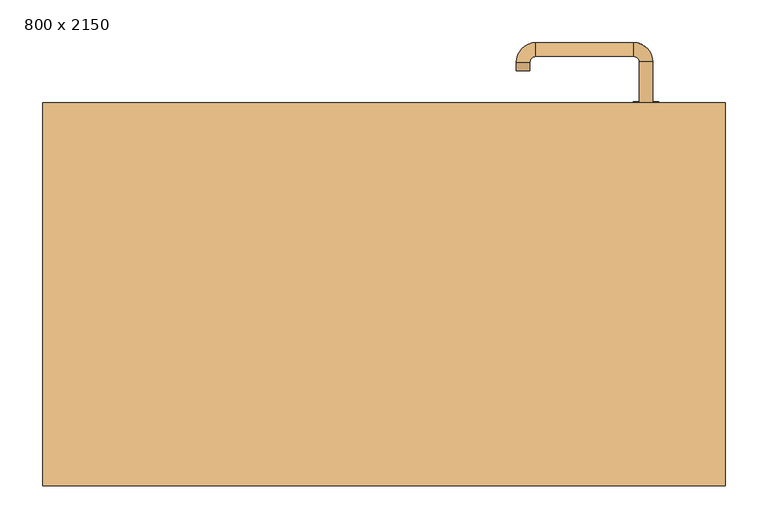
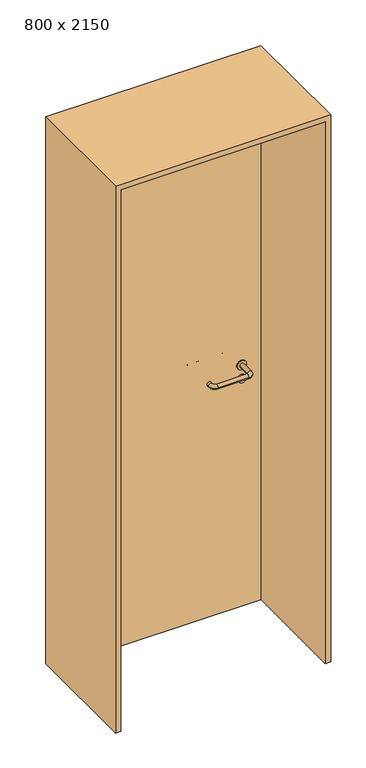
"""IFC4 building model written with IfcOpenShell, lengths in millimetres: door geometry, 800 x 2150."""

from ifc_helpers import new_model, si_unit, point, frame, frame_2d, origin, origin_with_axes, place, context, project, spatial, polyline, circle_curve, ellipse_curve, trimmed, segment, composite_curve, outline, extrude, source, transform, mapped, element, save
from ifc_brep_helpers import plane_surface, cylinder_surface, revolved_surface, advanced_brep


def door_800_x_2150_15d04565(model_context):
    return source(origin(), model_context, "Body", "SolidModel", [
        extrude(outline(composite_curve([segment(trimmed(circle_curve(frame_2d((897.3605726, 307.0)), 15.0), [point((897.3605726, 322.0))], [point((897.3605726, 292.0))], False, "CARTESIAN"), True, "CONTINUOUS"), segment(trimmed(circle_curve(frame_2d((897.3605726, 307.0)), 15.0), [point((897.3605726, 292.0))], [point((897.3605726, 322.0))], False, "CARTESIAN"), True, "CONTINUOUS")], self_intersect=False), holes=[composite_curve([segment(trimmed(circle_curve(frame_2d((892.5833211, 306.9398032)), 2.0), [point((892.5833211, 308.9398032))], [point((892.5833211, 304.9398032))], True, "CARTESIAN"), True, "CONTINUOUS"), segment(polyline([(892.5833211, 304.9398032), (902.5833211, 304.9398032)]), True, "CONTINUOUS"), segment(trimmed(circle_curve(frame_2d((902.5833211, 306.9398032)), 2.0), [point((902.5833211, 304.9398032))], [point((902.5833211, 308.9398032))], True, "CARTESIAN"), True, "CONTINUOUS"), segment(polyline([(902.5833211, 308.9398032), (892.5833211, 308.9398032)]), True, "CONTINUOUS")], self_intersect=False)]), frame((0.0, 183.65, 0.0), z_axis=(0.0, 1.0, 0.0), x_axis=(0.0, 0.0, 1.0)), (0.0, 0.0, 1.0), 6.35),
        extrude(outline(composite_curve([segment(trimmed(circle_curve(frame_2d((950.0, 307.0)), 17.526), [point((950.0, 324.526))], [point((950.0, 289.474))], False, "CARTESIAN"), True, "CONTINUOUS"), segment(trimmed(circle_curve(frame_2d((950.0, 307.0)), 17.526), [point((950.0, 289.474))], [point((950.0, 324.526))], False, "CARTESIAN"), True, "CONTINUOUS")], self_intersect=False)), frame((0.0, 186.825, 0.0), z_axis=(0.0, 1.0, 0.0), x_axis=(0.0, 0.0, 1.0)), (0.0, 0.0, 1.0), 3.175),
        advanced_brep(
        [(315.0, 190.0, 950.0), (299.0, 190.0, 950.0), (299.0, 137.0, 950.0), (315.0, 137.0, 950.0), (292.8578644, 130.8578644, 950.0), (292.8578644, 114.8578644, 950.0), (177.8578644, 130.8578644, 950.0), (177.8578644, 114.8578644, 950.0), (171.008622, 137.7071068, 950.0), (155.008622, 137.7071068, 950.0), (155.008622, 147.7071068, 950.0), (171.008622, 147.7071068, 950.0)],
        [
            (0, 1, circle_curve(frame((307.0, 190.0, 950.0), z_axis=(0.0, 1.0, 0.0), x_axis=(-1.0, 0.0, 0.0)), 8.0)),
            (1, 0, circle_curve(frame((307.0, 190.0, 950.0), z_axis=(0.0, 1.0, 0.0), x_axis=(-1.0, 0.0, 0.0)), 8.0)),
            (1, 2),
            (2, 3, circle_curve(frame((307.0, 137.0, 950.0), z_axis=(0.0, 1.0, 0.0), x_axis=(-1.0, 0.0, 0.0)), 8.0)),
            (3, 0),
            (3, 2, circle_curve(frame((307.0, 137.0, 950.0), z_axis=(0.0, 1.0, 0.0), x_axis=(-1.0, 0.0, 0.0)), 8.0)),
            (4, 5, circle_curve(frame((292.8578644, 122.8578644, 950.0), z_axis=(1.0, 0.0, 0.0), x_axis=(0.0, 1.0, 0.0)), 8.0)),
            (5, 3, circle_curve(frame((292.8578644, 137.0, 950.0), z_axis=(0.0, 0.0, 1.0), x_axis=(1.0, 0.0, 0.0)), 22.1421356)),
            (2, 4, circle_curve(frame((292.8578644, 137.0, 950.0), z_axis=(0.0, 0.0, -1.0), x_axis=(1.0, 0.0, 0.0)), 6.1421356)),
            (5, 4, circle_curve(frame((292.8578644, 122.8578644, 950.0), z_axis=(1.0, 0.0, 0.0), x_axis=(0.0, 1.0, 0.0)), 8.0)),
            (4, 6),
            (6, 7, circle_curve(frame((177.8578644, 122.8578644, 950.0), z_axis=(1.0, 0.0, 0.0), x_axis=(0.0, 1.0, 0.0)), 8.0)),
            (7, 5),
            (7, 6, circle_curve(frame((177.8578644, 122.8578644, 950.0), z_axis=(1.0, 0.0, 0.0), x_axis=(0.0, 1.0, 0.0)), 8.0)),
            (8, 9, circle_curve(frame((163.008622, 137.7071068, 950.0), z_axis=(0.0, -1.0, 0.0), x_axis=(1.0, 0.0, 0.0)), 8.0)),
            (9, 7, circle_curve(frame((177.8578644, 137.7071068, 950.0), z_axis=(0.0, 0.0, 1.0), x_axis=(0.0, -1.0, 0.0)), 22.8492424)),
            (6, 8, circle_curve(frame((177.8578644, 137.7071068, 950.0), z_axis=(0.0, 0.0, -1.0), x_axis=(0.0, -1.0, 0.0)), 6.8492424)),
            (9, 8, circle_curve(frame((163.008622, 137.7071068, 950.0), z_axis=(0.0, -1.0, 0.0), x_axis=(1.0, 0.0, 0.0)), 8.0)),
            (10, 11, circle_curve(frame((163.008622, 147.7071068, 950.0), z_axis=(0.0, 1.0, 0.0), x_axis=(1.0, 0.0, 0.0)), 8.0)),
            (11, 10, circle_curve(frame((163.008622, 147.7071068, 950.0), z_axis=(0.0, 1.0, 0.0), x_axis=(1.0, 0.0, 0.0)), 8.0)),
            (8, 11),
            (10, 9),
        ],
        [
            plane_surface(frame((307.0, 190.0, 0.0), z_axis=(0.0, 1.0, 0.0), x_axis=(0.0, 0.0, 1.0))),
            cylinder_surface(frame((307.0, 190.0, 950.0), z_axis=(0.0, 1.0, 0.0), x_axis=(-1.0, 0.0, 0.0)), 8.0),
            revolved_surface(trimmed(ellipse_curve(frame((307.0, 137.0, 950.0), z_axis=(0.0, -1.0, 0.0), x_axis=(-1.0, 0.0, 0.0)), 8.0, 8.0), [point((315.0, 137.0, 950.0))], [point((299.0, 137.0, 950.0))], True, "CARTESIAN"), (292.8578644, 137.0, 0.0), (0.0, 0.0, 1.0)),
            revolved_surface(trimmed(ellipse_curve(frame((307.0, 137.0, 950.0), z_axis=(0.0, -1.0, 0.0), x_axis=(-1.0, 0.0, 0.0)), 8.0, 8.0), [point((299.0, 137.0, 950.0))], [point((315.0, 137.0, 950.0))], True, "CARTESIAN"), (292.8578644, 137.0, 0.0), (0.0, 0.0, 1.0)),
            cylinder_surface(frame((292.8578644, 122.8578644, 950.0), z_axis=(1.0, 0.0, 0.0), x_axis=(0.0, 1.0, 0.0)), 8.0),
            revolved_surface(trimmed(ellipse_curve(frame((177.8578644, 122.8578644, 950.0), z_axis=(-1.0, 0.0, 0.0), x_axis=(0.0, 1.0, 0.0)), 8.0, 8.0), [point((177.8578644, 114.8578644, 950.0))], [point((177.8578644, 130.8578644, 950.0))], True, "CARTESIAN"), (177.8578644, 137.7071068, 0.0), (0.0, 0.0, 1.0)),
            revolved_surface(trimmed(ellipse_curve(frame((177.8578644, 122.8578644, 950.0), z_axis=(-1.0, 0.0, 0.0), x_axis=(0.0, 1.0, 0.0)), 8.0, 8.0), [point((177.8578644, 130.8578644, 950.0))], [point((177.8578644, 114.8578644, 950.0))], True, "CARTESIAN"), (177.8578644, 137.7071068, 0.0), (0.0, 0.0, 1.0)),
            plane_surface(frame((163.008622, 147.7071068, 0.0), z_axis=(0.0, 1.0, 0.0), x_axis=(0.0, 0.0, 1.0))),
            cylinder_surface(frame((163.008622, 137.7071068, 950.0), z_axis=(0.0, -1.0, 0.0), x_axis=(1.0, 0.0, 0.0)), 8.0),
        ],
        [
            (0, [[1, 2]]),
            (1, [[3, 4, 5, -2]]),
            (1, [[-5, 6, -3, -1]]),
            (2, [[7, 8, -4, 9]]),
            (3, [[10, -9, -6, -8]]),
            (4, [[11, 12, 13, -7]]),
            (4, [[-13, 14, -11, -10]]),
            (5, [[15, 16, -12, 17]]),
            (6, [[18, -17, -14, -16]]),
            (7, [[19, 20]]),
            (8, [[21, -19, 22, -15]]),
            (8, [[-22, -20, -21, -18]]),
        ],
    ),
        extrude(outline(composite_curve([segment(trimmed(circle_curve(frame_2d((0.0, -15.0)), 15.0), [point((0.0, -30.0))], [point((0.0, 0.0))], False, "CARTESIAN"), True, "CONTINUOUS"), segment(trimmed(circle_curve(frame_2d((0.0, -15.0)), 15.0), [point((0.0, 0.0))], [point((0.0, -30.0))], False, "CARTESIAN"), True, "CONTINUOUS")], self_intersect=False), holes=[composite_curve([segment(trimmed(circle_curve(frame_2d((4.7772515, -14.9398032)), 2.0), [point((4.7772515, -16.9398032))], [point((4.7772515, -12.9398032))], True, "CARTESIAN"), True, "CONTINUOUS"), segment(polyline([(4.7772515, -12.9398032), (-5.2227485, -12.9398032)]), True, "CONTINUOUS"), segment(trimmed(circle_curve(frame_2d((-5.2227485, -14.9398032)), 2.0), [point((-5.2227485, -12.9398032))], [point((-5.2227485, -16.9398032))], True, "CARTESIAN"), True, "CONTINUOUS"), segment(polyline([(-5.2227485, -16.9398032), (4.7772515, -16.9398032)]), True, "CONTINUOUS")], self_intersect=False)]), frame((292.0, 220.0, 897.3605726), z_axis=(1.8870575173328306e-12, 1.0, 0.0), x_axis=(0.0, 0.0, -1.0)), (0.0, 0.0, 1.0), 6.35),
        extrude(outline(composite_curve([segment(trimmed(circle_curve(frame_2d((0.0, -17.526)), 17.526), [point((0.0, -35.052))], [point((0.0, 0.0))], False, "CARTESIAN"), True, "CONTINUOUS"), segment(trimmed(circle_curve(frame_2d((0.0, -17.526)), 17.526), [point((0.0, 0.0))], [point((0.0, -35.052))], False, "CARTESIAN"), True, "CONTINUOUS")], self_intersect=False)), frame((289.474, 220.0, 950.0), z_axis=(1.8870575173328306e-12, 1.0, 0.0), x_axis=(0.0, 0.0, -1.0)), (0.0, 0.0, 1.0), 3.175),
        advanced_brep(
        [(315.0, 220.0, 950.0), (299.0, 220.0, 950.0), (315.0, 273.0, 950.0), (299.0, 273.0, 950.0), (292.8578644, 279.1421356, 950.0), (292.8578644, 295.1421356, 950.0), (177.8578644, 295.1421356, 950.0), (177.8578644, 279.1421356, 950.0), (171.008622, 272.2928932, 950.0), (155.008622, 272.2928932, 950.0), (155.008622, 262.2928932, 950.0), (171.008622, 262.2928932, 950.0)],
        [
            (0, 1, circle_curve(frame((307.0, 220.0, 950.0), z_axis=(-1.888672253512351e-12, -1.0, 0.0), x_axis=(-1.0, 1.888672253512351e-12, 0.0)), 8.0)),
            (1, 0, circle_curve(frame((307.0, 220.0, 950.0), z_axis=(-1.888672253512351e-12, -1.0, 0.0), x_axis=(-1.0, 1.888672253512351e-12, 0.0)), 8.0)),
            (0, 2),
            (2, 3, circle_curve(frame((307.0, 273.0, 950.0), z_axis=(-1.888672253512351e-12, -1.0, 0.0), x_axis=(-1.0, 1.888672253512351e-12, 0.0)), 8.0)),
            (3, 1),
            (3, 2, circle_curve(frame((307.0, 273.0, 950.0), z_axis=(-1.888672253512351e-12, -1.0, 0.0), x_axis=(-1.0, 1.888672253512351e-12, 0.0)), 8.0)),
            (4, 3, circle_curve(frame((292.8578644, 273.0, 950.0), z_axis=(0.0, 0.0, -1.0), x_axis=(1.0, -1.880717803715015e-12, 0.0)), 6.1421356)),
            (2, 5, circle_curve(frame((292.8578644, 273.0, 950.0), z_axis=(0.0, 0.0, 1.0), x_axis=(1.0, -1.880717803715015e-12, 0.0)), 22.1421356)),
            (5, 4, circle_curve(frame((292.8578644, 287.1421356, 950.0), z_axis=(1.0, -1.913702061528922e-12, 0.0), x_axis=(-1.913702061528922e-12, -1.0, 0.0)), 8.0)),
            (4, 5, circle_curve(frame((292.8578644, 287.1421356, 950.0), z_axis=(1.0, -1.913702061528922e-12, 0.0), x_axis=(-1.913702061528922e-12, -1.0, 0.0)), 8.0)),
            (5, 6),
            (6, 7, circle_curve(frame((177.8578644, 287.1421356, 950.0), z_axis=(1.0, -1.913719828541269e-12, 0.0), x_axis=(-1.913719828541269e-12, -1.0, 0.0)), 8.0)),
            (7, 4),
            (7, 6, circle_curve(frame((177.8578644, 287.1421356, 950.0), z_axis=(1.0, -1.913719828541269e-12, 0.0), x_axis=(-1.913719828541269e-12, -1.0, 0.0)), 8.0)),
            (8, 7, circle_curve(frame((177.8578644, 272.2928932, 950.0), z_axis=(0.0, 0.0, -1.0), x_axis=(1.9120873253494017e-12, 1.0, 0.0)), 6.8492424)),
            (6, 9, circle_curve(frame((177.8578644, 272.2928932, 950.0), z_axis=(0.0, 0.0, 1.0), x_axis=(1.9120873253494017e-12, 1.0, 0.0)), 22.8492424)),
            (9, 8, circle_curve(frame((163.008622, 272.2928932, 950.0), z_axis=(1.890448610351751e-12, 1.0, 0.0), x_axis=(1.0, -1.890448610351751e-12, 0.0)), 8.0)),
            (8, 9, circle_curve(frame((163.008622, 272.2928932, 950.0), z_axis=(1.8888942981172756e-12, 1.0, 0.0), x_axis=(1.0, -1.8888942981172756e-12, 0.0)), 8.0)),
            (10, 11, circle_curve(frame((163.008622, 262.2928932, 950.0), z_axis=(-1.8903642334018795e-12, -1.0, 0.0), x_axis=(1.0, -1.8903642334018795e-12, 0.0)), 8.0)),
            (11, 10, circle_curve(frame((163.008622, 262.2928932, 950.0), z_axis=(-1.8903642334018795e-12, -1.0, 0.0), x_axis=(1.0, -1.8903642334018795e-12, 0.0)), 8.0)),
            (9, 10),
            (11, 8),
        ],
        [
            plane_surface(frame((307.0, 220.0, 0.0), z_axis=(-1.8870575173328306e-12, -1.0, 0.0), x_axis=(0.0, 0.0, 1.0))),
            cylinder_surface(frame((307.0, 220.0, 950.0), z_axis=(-1.888672253512351e-12, -1.0, 0.0), x_axis=(-1.0, 1.888672253512351e-12, 0.0)), 8.0),
            revolved_surface(trimmed(ellipse_curve(frame((307.0, 273.0, 950.0), z_axis=(-1.8823325398945356e-12, -1.0, 0.0), x_axis=(-1.0, 1.8823325398945356e-12, 0.0)), 8.0, 8.0), [point((315.0, 273.0, 950.0))], [point((299.0, 273.0, 950.0))], True, "CARTESIAN"), (292.8578644, 273.0, 0.0), (0.0, 0.0, 1.0)),
            revolved_surface(trimmed(ellipse_curve(frame((307.0, 273.0, 950.0), z_axis=(-1.8823325398945356e-12, -1.0, 0.0), x_axis=(-1.0, 1.8823325398945356e-12, 0.0)), 8.0, 8.0), [point((299.0, 273.0, 950.0))], [point((315.0, 273.0, 950.0))], True, "CARTESIAN"), (292.8578644, 273.0, 0.0), (0.0, 0.0, 1.0)),
            cylinder_surface(frame((292.8578644, 287.1421356, 950.0), z_axis=(1.0, -1.913719828541269e-12, 0.0), x_axis=(-1.913719828541269e-12, -1.0, 0.0)), 8.0),
            revolved_surface(trimmed(ellipse_curve(frame((177.8578644, 287.1421356, 950.0), z_axis=(1.0, -1.913702061528922e-12, 0.0), x_axis=(-1.913702061528922e-12, -1.0, 0.0)), 8.0, 8.0), [point((177.8578644, 295.1421356, 950.0))], [point((177.8578644, 279.1421356, 950.0))], True, "CARTESIAN"), (177.8578644, 272.2928932, 0.0), (0.0, 0.0, 1.0)),
            revolved_surface(trimmed(ellipse_curve(frame((177.8578644, 287.1421356, 950.0), z_axis=(1.0, -1.913702061528922e-12, 0.0), x_axis=(-1.913702061528922e-12, -1.0, 0.0)), 8.0, 8.0), [point((177.8578644, 279.1421356, 950.0))], [point((177.8578644, 295.1421356, 950.0))], True, "CARTESIAN"), (177.8578644, 272.2928932, 0.0), (0.0, 0.0, 1.0)),
            plane_surface(frame((163.008622, 262.2928932, 0.0), z_axis=(-1.8887494972223595e-12, -1.0, 0.0), x_axis=(0.0, 0.0, 1.0))),
            cylinder_surface(frame((163.008622, 272.2928932, 950.0), z_axis=(1.8903642334018795e-12, 1.0, 0.0), x_axis=(1.0, -1.8903642334018795e-12, 0.0)), 8.0),
        ],
        [
            (0, [[1, 2]]),
            (1, [[-1, 3, 4, 5]]),
            (1, [[-2, -5, 6, -3]]),
            (2, [[7, -4, 8, 9]]),
            (3, [[-8, -6, -7, 10]]),
            (4, [[-9, 11, 12, 13]]),
            (4, [[-10, -13, 14, -11]]),
            (5, [[15, -12, 16, 17]]),
            (6, [[-16, -14, -15, 18]]),
            (7, [[19, 20]]),
            (8, [[-17, 21, -20, 22]]),
            (8, [[-18, -22, -19, -21]]),
        ],
    ),
        extrude(outline(polyline([(2130.0, 380.0), (0.0, 380.0), (0.0, 400.0), (2150.0, 400.0), (2150.0, -400.0), (0.0, -400.0), (0.0, -380.0), (2130.0, -380.0), (2130.0, 380.0)])), frame((0.0, -224.0, 0.0), z_axis=(0.0, 1.0, 0.0), x_axis=(0.0, 0.0, 1.0)), (0.0, 0.0, 1.0), 449.0),
        extrude(outline(polyline([(-380.0, 220.0), (380.0, 220.0), (380.0, 190.0), (-380.0, 190.0), (-380.0, 220.0)])), origin_with_axes(), (0.0, 0.0, 1.0), 2130.0),
    ])


if __name__ == "__main__":
    model = new_model("IFC4")
    model_context = context("Model", 3, world=origin())
    ifc_project = project(units=[si_unit("LENGTHUNIT", "METRE", prefix="MILLI")], contexts=[model_context])
    site = spatial("IfcSite", under=ifc_project)
    building = spatial("IfcBuilding", under=site)
    placement = place(None, origin())
    door_800_x_2150_shape = door_800_x_2150_15d04565(model_context)
    element("IfcDoor", 1, ObjectType="800 x 2150", at=placement, inside=building, context=model_context, shape_type="MappedRepresentation", body=[
        mapped(door_800_x_2150_shape, transform((0.0, 0.0, 0.0), x_axis=(1.0, 0.0, 0.0), y_axis=(0.0, 1.0, 0.0), z_axis=(0.0, 0.0, 1.0))),
    ])
    save(model, "model.ifc")
